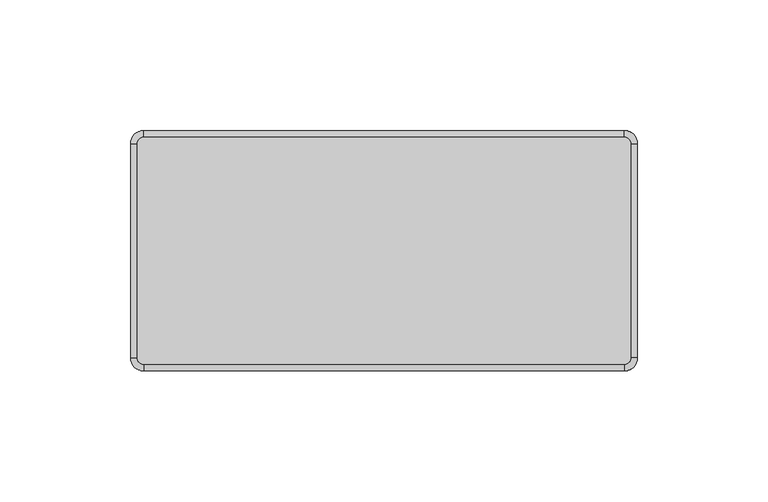
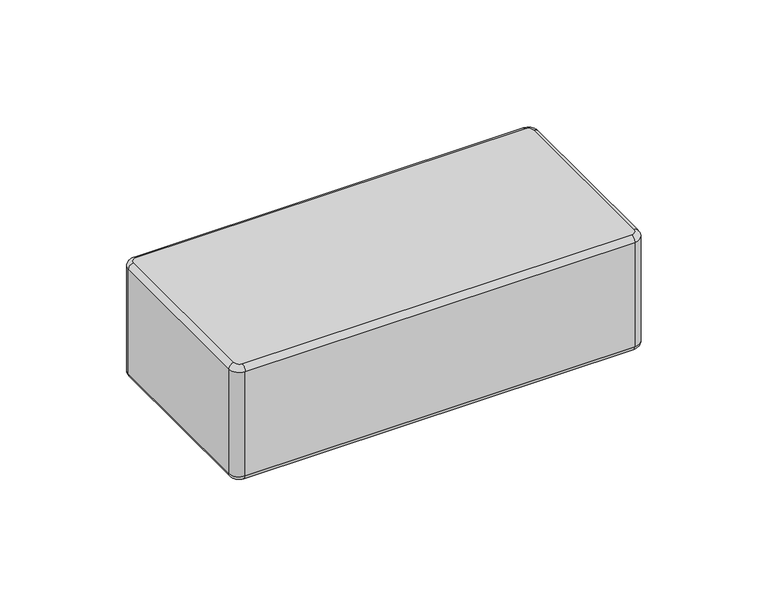
"""IFC4 building model written with IfcOpenShell, lengths in millimetres: plate geometry."""

from ifc_helpers import new_model, si_unit, point, frame, origin, place, context, project, spatial, circle_curve, ellipse_curve, trimmed, source, transform, mapped, element, save
from ifc_brep_helpers import plane_surface, cylinder_surface, revolved_surface, advanced_brep


def plate_93ff95b9(model_context):
    return source(origin(), model_context, "Body", "AdvancedBrep", [
        advanced_brep(
        [(94.6624999, 41.0, 57.0), (92.1624999, 43.5, 57.0), (-91.8375001, 43.5, 57.0), (-94.3375001, 41.0, 57.0), (-94.3375001, -41.0, 57.0), (-91.8375001, -43.5, 57.0), (92.1624999, -43.5, 57.0), (94.6624999, -41.0, 57.0), (-94.3375001, 41.0, 0.0), (-91.8375001, 43.5, 0.0), (92.1624999, 43.5, 0.0), (94.6624999, 41.0, 0.0), (94.6624999, -41.0, 0.0), (92.1624999, -43.5, 0.0), (-91.8375001, -43.5, 0.0), (-94.3375001, -41.0, 0.0), (-91.8375001, -46.0, 2.5), (92.1624999, -46.0, 2.5), (92.1624999, -46.0, 54.5), (-91.8375001, -46.0, 54.5), (97.1624999, -41.0, 2.5), (97.1624999, 41.0, 2.5), (97.1624999, 41.0, 54.5000019), (97.1624999, -41.0, 54.5), (92.1624999, 46.0, 2.5), (-91.8375001, 46.0, 2.5), (-91.8375001, 46.0, 54.5), (92.1624999, 46.0, 54.5), (-96.8375001, 41.0, 2.5), (-96.8375001, -41.0, 2.5), (-96.8375001, -41.0, 54.5), (-96.8375001, 41.0, 54.5)],
        [
            (0, 1, circle_curve(frame((92.1624999, 41.0, 57.0), z_axis=(0.0, 0.0, 1.0), x_axis=(1.0, 0.0, 0.0)), 2.5)),
            (1, 2),
            (2, 3, circle_curve(frame((-91.8375001, 41.0, 57.0), z_axis=(0.0, 0.0, 1.0), x_axis=(0.0, 1.0, 0.0)), 2.5)),
            (3, 4),
            (4, 5, circle_curve(frame((-91.8375001, -41.0, 57.0), z_axis=(0.0, 0.0, 1.0), x_axis=(-1.0, 0.0, 0.0)), 2.5)),
            (5, 6),
            (6, 7, circle_curve(frame((92.1624999, -41.0, 57.0), z_axis=(0.0, 0.0, 1.0), x_axis=(0.0, -1.0, 0.0)), 2.5)),
            (7, 0),
            (8, 9, circle_curve(frame((-91.8375001, 41.0, 0.0), z_axis=(0.0, 0.0, -1.0), x_axis=(-1.0, 0.0, 0.0)), 2.5)),
            (9, 10),
            (10, 11, circle_curve(frame((92.1624999, 41.0, 0.0), z_axis=(0.0, 0.0, -1.0), x_axis=(0.0, 1.0, 0.0)), 2.5)),
            (11, 12),
            (12, 13, circle_curve(frame((92.1624999, -41.0, 0.0), z_axis=(0.0, 0.0, -1.0), x_axis=(1.0, 0.0, 0.0)), 2.5)),
            (13, 14),
            (14, 15, circle_curve(frame((-91.8375001, -41.0, 0.0), z_axis=(0.0, 0.0, -1.0), x_axis=(0.0, -1.0, 0.0)), 2.5)),
            (15, 8),
            (16, 17),
            (17, 18),
            (18, 19),
            (19, 16),
            (20, 21),
            (21, 22),
            (22, 23),
            (23, 20),
            (24, 25),
            (25, 26),
            (26, 27),
            (27, 24),
            (28, 29),
            (29, 30),
            (30, 31),
            (31, 28),
            (29, 16, circle_curve(frame((-91.8375001, -41.0, 2.5), z_axis=(0.0, 0.0, 1.0), x_axis=(1.0, 0.0, 0.0)), 5.0)),
            (19, 30, circle_curve(frame((-91.8375001, -41.0, 54.5), z_axis=(0.0, 0.0, -1.0), x_axis=(1.0, 0.0, 0.0)), 5.0)),
            (17, 20, circle_curve(frame((92.1624999, -41.0, 2.5), z_axis=(0.0, 0.0, 1.0), x_axis=(1.0, 0.0, 0.0)), 5.0)),
            (23, 18, circle_curve(frame((92.1624999, -41.0, 54.5), z_axis=(0.0, 0.0, -1.0), x_axis=(1.0, 0.0, 0.0)), 5.0)),
            (21, 24, circle_curve(frame((92.1624999, 41.0, 2.5), z_axis=(0.0, 0.0, 1.0), x_axis=(1.0, 0.0, 0.0)), 5.0)),
            (27, 22, circle_curve(frame((92.1624999, 41.0, 54.5), z_axis=(0.0, 0.0, -1.0), x_axis=(1.0, 0.0, 0.0)), 5.0)),
            (25, 28, circle_curve(frame((-91.8375001, 41.0, 2.5), z_axis=(0.0, 0.0, 1.0), x_axis=(1.0, 0.0, 0.0)), 5.0)),
            (31, 26, circle_curve(frame((-91.8375001, 41.0, 54.5), z_axis=(0.0, 0.0, -1.0), x_axis=(1.0, 0.0, 0.0)), 5.0)),
            (25, 9, circle_curve(frame((-91.8375001, 43.5, 2.5), z_axis=(-1.0, 0.0, 0.0), x_axis=(0.0, -1.0, 0.0)), 2.5)),
            (8, 28, circle_curve(frame((-94.3375001, 41.0, 2.5), z_axis=(0.0, 1.0, 0.0), x_axis=(1.0, 0.0, 0.0)), 2.5)),
            (24, 10, circle_curve(frame((92.1624999, 43.5, 2.5), z_axis=(-1.0, 0.0, 0.0), x_axis=(0.0, -1.0, 0.0)), 2.5)),
            (21, 11, circle_curve(frame((94.6624999, 41.0, 2.5), z_axis=(0.0, 1.0, 0.0), x_axis=(-1.0, 0.0, 0.0)), 2.5)),
            (20, 12, circle_curve(frame((94.6624999, -41.0, 2.5), z_axis=(0.0, 1.0, 0.0), x_axis=(-1.0, 0.0, 0.0)), 2.5)),
            (17, 13, circle_curve(frame((92.1624999, -43.5, 2.5), z_axis=(1.0, 0.0, 0.0), x_axis=(0.0, 1.0, 0.0)), 2.5)),
            (16, 14, circle_curve(frame((-91.8375001, -43.5, 2.5), z_axis=(1.0, 0.0, 0.0), x_axis=(0.0, 1.0, 0.0)), 2.5)),
            (29, 15, circle_curve(frame((-94.3375001, -41.0, 2.5), z_axis=(0.0, -1.0, 0.0), x_axis=(1.0, 0.0, 0.0)), 2.5)),
            (27, 1, circle_curve(frame((92.1624999, 43.5, 54.5), z_axis=(1.0, 0.0, 0.0), x_axis=(0.0, -1.0, 0.0)), 2.5)),
            (0, 22, circle_curve(frame((94.6624999, 41.0, 54.5), z_axis=(0.0, 1.0, 0.0), x_axis=(-1.0, 0.0, 0.0)), 2.5)),
            (26, 2, circle_curve(frame((-91.8375001, 43.5, 54.5), z_axis=(1.0, 0.0, 0.0), x_axis=(0.0, -1.0, 0.0)), 2.5)),
            (31, 3, circle_curve(frame((-94.3375001, 41.0, 54.5), z_axis=(0.0, 1.0, 0.0), x_axis=(1.0, 0.0, 0.0)), 2.5)),
            (30, 4, circle_curve(frame((-94.3375001, -41.0, 54.5), z_axis=(0.0, 1.0, 0.0), x_axis=(1.0, 0.0, 0.0)), 2.5)),
            (19, 5, circle_curve(frame((-91.8375001, -43.5, 54.5), z_axis=(-1.0, 0.0, 0.0), x_axis=(0.0, 1.0, 0.0)), 2.5)),
            (18, 6, circle_curve(frame((92.1624999, -43.5, 54.5), z_axis=(-1.0, 0.0, 0.0), x_axis=(0.0, 1.0, 0.0)), 2.5)),
            (23, 7, circle_curve(frame((94.6624999, -41.0, 54.5), z_axis=(0.0, -1.0, 0.0), x_axis=(-1.0, 0.0, 0.0)), 2.5)),
        ],
        [
            plane_surface(frame((-86.8375001, -41.0, 57.0), z_axis=(0.0, 0.0, 1.0), x_axis=(0.0, 1.0, 0.0))),
            plane_surface(frame((-86.8375001, -41.0, 0.0), z_axis=(0.0, 0.0, -1.0), x_axis=(0.0, -1.0, 0.0))),
            plane_surface(frame((-91.8375001, -46.0, 57.0), z_axis=(0.0, -1.0, 0.0), x_axis=(0.0, 0.0, -1.0))),
            plane_surface(frame((97.1624999, -41.0, 57.0), z_axis=(1.0, 0.0, 0.0), x_axis=(0.0, 0.0, -1.0))),
            plane_surface(frame((92.1624999, 46.0, 57.0), z_axis=(0.0, 1.0, 0.0), x_axis=(0.0, 0.0, -1.0))),
            plane_surface(frame((-96.8375001, 41.0, 57.0), z_axis=(-1.0, 0.0, 0.0), x_axis=(0.0, 0.0, -1.0))),
            cylinder_surface(frame((-91.8375001, -41.0, 0.0), z_axis=(0.0, 0.0, 1.0), x_axis=(1.0, 0.0, 0.0)), 5.0),
            cylinder_surface(frame((92.1624999, -41.0, 0.0), z_axis=(0.0, 0.0, 1.0), x_axis=(1.0, 0.0, 0.0)), 5.0),
            cylinder_surface(frame((92.1624999, 41.0, 0.0), z_axis=(0.0, 0.0, 1.0), x_axis=(1.0, 0.0, 0.0)), 5.0),
            cylinder_surface(frame((-91.8375001, 41.0, 0.0), z_axis=(0.0, 0.0, 1.0), x_axis=(1.0, 0.0, 0.0)), 5.0),
            revolved_surface(trimmed(ellipse_curve(frame((-94.3375001, 41.0, 2.5), z_axis=(0.0, -1.0, 0.0), x_axis=(1.0, 0.0, 0.0)), 2.5, 2.5), [point((-96.8375001, 41.0, 2.5))], [point((-94.3375001, 41.0, 0.0))], True, "CARTESIAN"), (-91.8375001, 41.0, 0.0), (0.0, 0.0, -1.0)),
            cylinder_surface(frame((-91.8375001, 43.5, 2.5), z_axis=(1.0, 0.0, 0.0), x_axis=(0.0, -1.0, 0.0)), 2.5),
            revolved_surface(trimmed(ellipse_curve(frame((92.1624999, 43.5, 2.5), z_axis=(-1.0, 0.0, 0.0), x_axis=(0.0, -1.0, 0.0)), 2.5, 2.5), [point((92.1624999, 46.0, 2.5))], [point((92.1624999, 43.5, 0.0))], True, "CARTESIAN"), (92.1624999, 41.0, 0.0), (0.0, 0.0, -1.0)),
            cylinder_surface(frame((94.6624999, 41.0, 2.5), z_axis=(0.0, -1.0, 0.0), x_axis=(-1.0, 0.0, 0.0)), 2.5),
            revolved_surface(trimmed(ellipse_curve(frame((94.6624999, -41.0, 2.5), z_axis=(0.0, 1.0, 0.0), x_axis=(-1.0, 0.0, 0.0)), 2.5, 2.5), [point((97.1624999, -41.0, 2.5))], [point((94.6624999, -41.0, 0.0))], True, "CARTESIAN"), (92.1624999, -41.0, 0.0), (0.0, 0.0, -1.0)),
            cylinder_surface(frame((92.1624999, -43.5, 2.5), z_axis=(-1.0, 0.0, 0.0), x_axis=(0.0, 1.0, 0.0)), 2.5),
            revolved_surface(trimmed(ellipse_curve(frame((-91.8375001, -43.5, 2.5), z_axis=(1.0, 0.0, 0.0), x_axis=(0.0, 1.0, 0.0)), 2.5, 2.5), [point((-91.8375001, -46.0, 2.5))], [point((-91.8375001, -43.5, 0.0))], True, "CARTESIAN"), (-91.8375001, -41.0, 0.0), (0.0, 0.0, -1.0)),
            cylinder_surface(frame((-94.3375001, -41.0, 2.5), z_axis=(0.0, 1.0, 0.0), x_axis=(1.0, 0.0, 0.0)), 2.5),
            revolved_surface(trimmed(ellipse_curve(frame((94.6624999, 41.0, 54.5), z_axis=(0.0, -1.0, 0.0), x_axis=(-1.0, 0.0, 0.0)), 2.5, 2.5), [point((97.1624999, 41.0, 54.5))], [point((94.6624999, 41.0, 57.0))], True, "CARTESIAN"), (92.1624999, 41.0, 57.0), (0.0, 0.0, 1.0)),
            cylinder_surface(frame((92.1624999, 43.5, 54.5), z_axis=(-1.0, 0.0, 0.0), x_axis=(0.0, -1.0, 0.0)), 2.5),
            revolved_surface(trimmed(ellipse_curve(frame((-91.8375001, 43.5, 54.5), z_axis=(1.0, 0.0, 0.0), x_axis=(0.0, -1.0, 0.0)), 2.5, 2.5), [point((-91.8375001, 46.0, 54.5))], [point((-91.8375001, 43.5, 57.0))], True, "CARTESIAN"), (-91.8375001, 41.0, 57.0), (0.0, 0.0, 1.0)),
            cylinder_surface(frame((-94.3375001, 41.0, 54.5), z_axis=(0.0, -1.0, 0.0), x_axis=(1.0, 0.0, 0.0)), 2.5),
            revolved_surface(trimmed(ellipse_curve(frame((-94.3375001, -41.0, 54.5), z_axis=(0.0, 1.0, 0.0), x_axis=(1.0, 0.0, 0.0)), 2.5, 2.5), [point((-96.8375001, -41.0, 54.5))], [point((-94.3375001, -41.0, 57.0))], True, "CARTESIAN"), (-91.8375001, -41.0, 57.0), (0.0, 0.0, 1.0)),
            cylinder_surface(frame((-91.8375001, -43.5, 54.5), z_axis=(1.0, 0.0, 0.0), x_axis=(0.0, 1.0, 0.0)), 2.5),
            revolved_surface(trimmed(ellipse_curve(frame((92.1624999, -43.5, 54.5), z_axis=(-1.0, 0.0, 0.0), x_axis=(0.0, 1.0, 0.0)), 2.5, 2.5), [point((92.1624999, -46.0, 54.5))], [point((92.1624999, -43.5, 57.0))], True, "CARTESIAN"), (92.1624999, -41.0, 57.0), (0.0, 0.0, 1.0)),
            cylinder_surface(frame((94.6624999, -41.0, 54.5), z_axis=(0.0, 1.0, 0.0), x_axis=(-1.0, 0.0, 0.0)), 2.5),
        ],
        [
            (0, [[1, 2, 3, 4, 5, 6, 7, 8]]),
            (1, [[9, 10, 11, 12, 13, 14, 15, 16]]),
            (2, [[17, 18, 19, 20]]),
            (3, [[21, 22, 23, 24]]),
            (4, [[25, 26, 27, 28]]),
            (5, [[29, 30, 31, 32]]),
            (6, [[33, -20, 34, -30]]),
            (7, [[35, -24, 36, -18]]),
            (8, [[37, -28, 38, -22]]),
            (9, [[39, -32, 40, -26]]),
            (10, [[41, -9, 42, -39]]),
            (11, [[-41, -25, 43, -10]]),
            (12, [[-43, -37, 44, -11]]),
            (13, [[-44, -21, 45, -12]]),
            (14, [[-45, -35, 46, -13]]),
            (15, [[-46, -17, 47, -14]]),
            (16, [[-47, -33, 48, -15]]),
            (17, [[-42, -16, -48, -29]]),
            (18, [[49, -1, 50, -38]]),
            (19, [[-49, -27, 51, -2]]),
            (20, [[-51, -40, 52, -3]]),
            (21, [[-52, -31, 53, -4]]),
            (22, [[-53, -34, 54, -5]]),
            (23, [[-54, -19, 55, -6]]),
            (24, [[-55, -36, 56, -7]]),
            (25, [[-50, -8, -56, -23]]),
        ],
    ),
    ])


if __name__ == "__main__":
    model = new_model("IFC4")
    model_context = context("Model", 3, world=origin())
    ifc_project = project(units=[si_unit("LENGTHUNIT", "METRE", prefix="MILLI")], contexts=[model_context])
    site = spatial("IfcSite", under=ifc_project)
    building = spatial("IfcBuilding", under=site)
    placement = place(None, origin())
    plate_shape = plate_93ff95b9(model_context)
    element("IfcPlate", 1, at=placement, inside=building, context=model_context, shape_type="MappedRepresentation", body=[
        mapped(plate_shape, transform((0.0, 0.0, 0.0), x_axis=(1.0, 0.0, 0.0), y_axis=(0.0, 1.0, 0.0), z_axis=(0.0, 0.0, 1.0))),
    ])
    save(model, "model.ifc")
